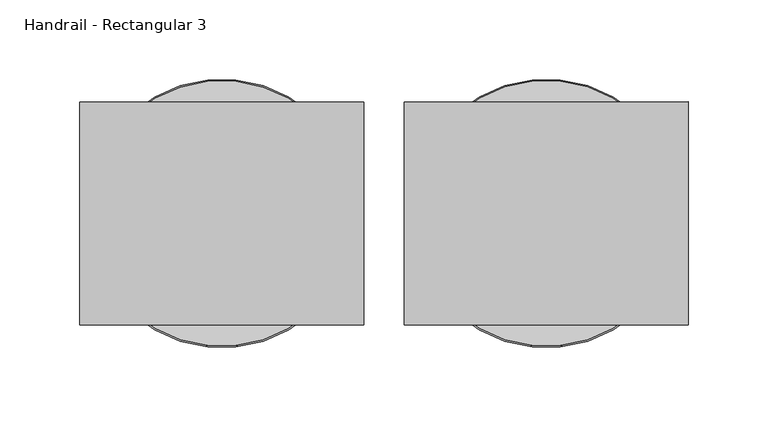
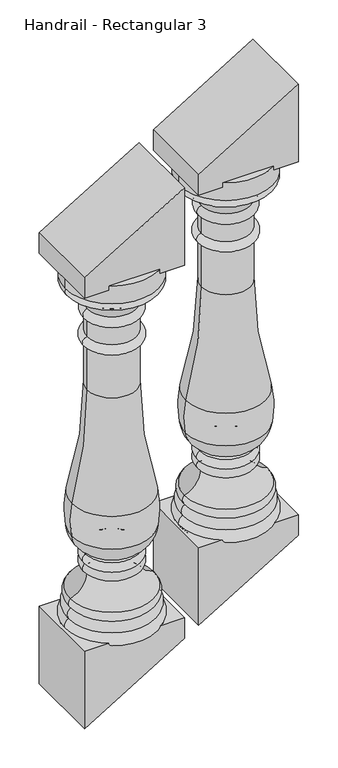
"""IFC4 building model written with IfcOpenShell, lengths in millimetres: railing geometry, Handrail - Rectangular 3."""

from ifc_helpers import new_model, si_unit, point, frame, origin, place, context, project, spatial, polyline, circle_curve, ellipse_curve, trimmed, outline, extrude, source, transform, mapped, element, save
from ifc_brep_helpers import plane_surface, cylinder_surface, revolved_surface, advanced_brep


def handrail_rectangular_3_e4badc02(model_context):
    return source(origin(), model_context, "Body", "SolidModel", [
        advanced_brep(
        [(8923.3589638, 4021.0919589, 1318.7295479), (9090.0464638, 4021.0919589, 1318.7295479), (9090.0464638, 4021.0919589, 1352.0670479), (8923.3589638, 4021.0919589, 1352.0670479), (8926.5339638, 4021.0919589, 1318.7295479), (9086.8714638, 4021.0919589, 1318.7295479), (8926.5339638, 4021.0919589, 1304.4420479), (9086.8714638, 4021.0919589, 1304.4420479), (8963.0464638, 4021.0919589, 1266.3420479), (9050.3589638, 4021.0919589, 1266.3420479), (8963.0464638, 4021.0919589, 1247.2920479), (9050.3589638, 4021.0919589, 1247.2920479), (8963.0464638, 4021.0919589, 1213.9545479), (9050.3589638, 4021.0919589, 1213.9545479), (8963.0464638, 4021.0919589, 1196.4920479), (9050.3589638, 4021.0919589, 1196.4920479), (8963.0464638, 4021.0919589, 1113.9420479), (9050.3589638, 4021.0919589, 1113.9420479), (8935.8579463, 4021.0919589, 909.6236064), (9077.5474812, 4021.0919589, 909.6236064), (8934.6675903, 4021.0919589, 849.0813613), (9078.7378373, 4021.0919589, 849.0813613), (8961.8786488, 4021.0919589, 810.2457164), (9051.5267787, 4021.0919589, 810.2457164), (8960.1533671, 4021.0919589, 805.7633564), (9053.2520604, 4021.0919589, 805.7633564), (8959.0777138, 4021.0919589, 788.5045479), (9054.3277138, 4021.0919589, 788.5045479), (8962.2527138, 4021.0919589, 771.0420479), (9051.1527138, 4021.0919589, 771.0420479), (8932.8839638, 4021.0919589, 731.3545479), (9080.5214638, 4021.0919589, 731.3545479), (8933.6777138, 4021.0919589, 713.8920479), (9079.7277138, 4021.0919589, 713.8920479), (8929.7089638, 4021.0919589, 694.8420479), (9083.6964638, 4021.0919589, 694.8420479), (8926.5339638, 4021.0919589, 672.6170479), (9086.8714638, 4021.0919589, 672.6170479), (9006.7027138, 4021.0919589, 672.6170479), (9006.7027138, 4021.0919589, 1352.0670479)],
        [
            (0, 1, circle_curve(frame((9006.7027138, 4021.0919589, 1318.7295479), z_axis=(0.0, 0.0, 1.0), x_axis=(1.0, 0.0, 0.0)), 83.34375)),
            (1, 2),
            (2, 3, circle_curve(frame((9006.7027138, 4021.0919589, 1352.0670479), z_axis=(0.0, 0.0, -1.0), x_axis=(1.0, 0.0, 0.0)), 83.34375)),
            (3, 0),
            (1, 0, circle_curve(frame((9006.7027138, 4021.0919589, 1318.7295479), z_axis=(0.0, 0.0, 1.0), x_axis=(1.0, 0.0, 0.0)), 83.34375)),
            (3, 2, circle_curve(frame((9006.7027138, 4021.0919589, 1352.0670479), z_axis=(0.0, 0.0, -1.0), x_axis=(1.0, 0.0, 0.0)), 83.34375)),
            (4, 5, circle_curve(frame((9006.7027138, 4021.0919589, 1318.7295479), z_axis=(0.0, 0.0, 1.0), x_axis=(1.0, 0.0, 0.0)), 80.16875)),
            (5, 1),
            (0, 4),
            (5, 4, circle_curve(frame((9006.7027138, 4021.0919589, 1318.7295479), z_axis=(0.0, 0.0, 1.0), x_axis=(1.0, 0.0, 0.0)), 80.16875)),
            (6, 7, circle_curve(frame((9006.7027138, 4021.0919589, 1304.4420479), z_axis=(0.0, 0.0, 1.0), x_axis=(1.0, 0.0, 0.0)), 80.16875)),
            (7, 5, circle_curve(frame((9080.422245, 4021.0919589, 1311.5857979), z_axis=(0.0, -1.0, 0.0), x_axis=(1.0, 0.0, 0.0)), 9.6242187)),
            (4, 6, circle_curve(frame((8932.9831825, 4021.0919589, 1311.5857979), z_axis=(0.0, -1.0, 0.0), x_axis=(-1.0, 0.0, 0.0)), 9.6242187)),
            (7, 6, circle_curve(frame((9006.7027138, 4021.0919589, 1304.4420479), z_axis=(0.0, 0.0, 1.0), x_axis=(1.0, 0.0, 0.0)), 80.16875)),
            (8, 9, circle_curve(frame((9006.7027138, 4021.0919589, 1266.3420479), z_axis=(0.0, 0.0, 1.0), x_axis=(1.0, 0.0, 0.0)), 43.65625)),
            (9, 7, circle_curve(frame((9105.7757682, 4021.0919589, 1249.7798498), z_axis=(0.0, 1.0, 0.0), x_axis=(1.0, 0.0, 0.0)), 57.8388159)),
            (6, 8, circle_curve(frame((8907.6296593, 4021.0919589, 1249.7798498), z_axis=(0.0, 1.0, 0.0), x_axis=(-1.0, 0.0, 0.0)), 57.8388159)),
            (9, 8, circle_curve(frame((9006.7027138, 4021.0919589, 1266.3420479), z_axis=(0.0, 0.0, 1.0), x_axis=(1.0, 0.0, 0.0)), 43.65625)),
            (10, 11, circle_curve(frame((9006.7027138, 4021.0919589, 1247.2920479), z_axis=(0.0, 0.0, 1.0), x_axis=(1.0, 0.0, 0.0)), 43.65625)),
            (11, 9, circle_curve(frame((9048.6127138, 4021.0919589, 1256.8170479), z_axis=(0.0, -1.0, 0.0), x_axis=(1.0, 0.0, 0.0)), 9.68375)),
            (8, 10, circle_curve(frame((8964.7927138, 4021.0919589, 1256.8170479), z_axis=(0.0, -1.0, 0.0), x_axis=(-1.0, 0.0, 0.0)), 9.68375)),
            (11, 10, circle_curve(frame((9006.7027138, 4021.0919589, 1247.2920479), z_axis=(0.0, 0.0, 1.0), x_axis=(1.0, 0.0, 0.0)), 43.65625)),
            (12, 13, circle_curve(frame((9006.7027138, 4021.0919589, 1213.9545479), z_axis=(0.0, 0.0, 1.0), x_axis=(1.0, 0.0, 0.0)), 43.65625)),
            (13, 11),
            (10, 12),
            (13, 12, circle_curve(frame((9006.7027138, 4021.0919589, 1213.9545479), z_axis=(0.0, 0.0, 1.0), x_axis=(1.0, 0.0, 0.0)), 43.65625)),
            (14, 15, circle_curve(frame((9006.7027138, 4021.0919589, 1196.4920479), z_axis=(0.0, 0.0, 1.0), x_axis=(1.0, 0.0, 0.0)), 43.65625)),
            (15, 13, circle_curve(frame((9050.3589638, 4021.0919589, 1205.2232979), z_axis=(0.0, -1.0, 0.0), x_axis=(1.0, 0.0, 0.0)), 8.73125)),
            (12, 14, circle_curve(frame((8963.0464638, 4021.0919589, 1205.2232979), z_axis=(0.0, -1.0, 0.0), x_axis=(-1.0, 0.0, 0.0)), 8.73125)),
            (15, 14, circle_curve(frame((9006.7027138, 4021.0919589, 1196.4920479), z_axis=(0.0, 0.0, 1.0), x_axis=(1.0, 0.0, 0.0)), 43.65625)),
            (16, 17, circle_curve(frame((9006.7027138, 4021.0919589, 1113.9420479), z_axis=(0.0, 0.0, 1.0), x_axis=(1.0, 0.0, 0.0)), 43.65625)),
            (17, 15),
            (14, 16),
            (17, 16, circle_curve(frame((9006.7027138, 4021.0919589, 1113.9420479), z_axis=(0.0, 0.0, 1.0), x_axis=(1.0, 0.0, 0.0)), 43.65625)),
            (18, 19, circle_curve(frame((9006.7027138, 4021.0919589, 909.6236064), z_axis=(0.0, 0.0, 1.0), x_axis=(1.0, 0.0, 0.0)), 70.8447675)),
            (19, 17, circle_curve(frame((9785.1357133, 4021.0919589, 1107.7500958), z_axis=(0.0, 1.0, 0.0), x_axis=(1.0, 0.0, 0.0)), 734.8028389)),
            (16, 18, circle_curve(frame((8228.2697142, 4021.0919589, 1107.7500958), z_axis=(0.0, 1.0, 0.0), x_axis=(-1.0, 0.0, 0.0)), 734.8028389)),
            (19, 18, circle_curve(frame((9006.7027138, 4021.0919589, 909.6236064), z_axis=(0.0, 0.0, 1.0), x_axis=(1.0, 0.0, 0.0)), 70.8447675)),
            (20, 21, circle_curve(frame((9006.7027138, 4021.0919589, 849.0813613), z_axis=(0.0, 0.0, 1.0), x_axis=(1.0, 0.0, 0.0)), 72.0351235)),
            (21, 19, circle_curve(frame((8919.6488591, 4021.0919589, 876.2362458), z_axis=(0.0, -1.0, 0.0), x_axis=(1.0, 0.0, 0.0)), 161.3898718)),
            (18, 20, circle_curve(frame((9093.7565684, 4021.0919589, 876.2362458), z_axis=(0.0, -1.0, 0.0), x_axis=(-1.0, 0.0, 0.0)), 161.3898718)),
            (21, 20, circle_curve(frame((9006.7027138, 4021.0919589, 849.0813613), z_axis=(0.0, 0.0, 1.0), x_axis=(1.0, 0.0, 0.0)), 72.0351235)),
            (22, 23, circle_curve(frame((9006.7027138, 4021.0919589, 810.2457164), z_axis=(0.0, 0.0, 1.0), x_axis=(1.0, 0.0, 0.0)), 44.8240649)),
            (23, 21, circle_curve(frame((9029.0078154, 4021.0919589, 854.9749682), z_axis=(0.0, -1.0, 0.0), x_axis=(1.0, 0.0, 0.0)), 50.0780358)),
            (20, 22, circle_curve(frame((8984.3976121, 4021.0919589, 854.9749682), z_axis=(0.0, -1.0, 0.0), x_axis=(-1.0, 0.0, 0.0)), 50.0780358)),
            (23, 22, circle_curve(frame((9006.7027138, 4021.0919589, 810.2457164), z_axis=(0.0, 0.0, 1.0), x_axis=(1.0, 0.0, 0.0)), 44.8240649)),
            (24, 25, circle_curve(frame((9006.7027138, 4021.0919589, 805.7633564), z_axis=(0.0, 0.0, 1.0), x_axis=(1.0, 0.0, 0.0)), 46.5493467)),
            (25, 23, circle_curve(frame((9054.3277138, 4021.0919589, 808.7505951), z_axis=(0.0, 1.0, 0.0), x_axis=(1.0, 0.0, 0.0)), 3.175)),
            (22, 24, circle_curve(frame((8959.0777138, 4021.0919589, 808.7505951), z_axis=(0.0, 1.0, 0.0), x_axis=(-1.0, 0.0, 0.0)), 3.175)),
            (25, 24, circle_curve(frame((9006.7027138, 4021.0919589, 805.7633564), z_axis=(0.0, 0.0, 1.0), x_axis=(1.0, 0.0, 0.0)), 46.5493467)),
            (26, 27, circle_curve(frame((9006.7027138, 4021.0919589, 788.5045479), z_axis=(0.0, 0.0, 1.0), x_axis=(1.0, 0.0, 0.0)), 47.625)),
            (27, 25, circle_curve(frame((9049.251349, 4021.0919589, 796.8510882), z_axis=(0.0, -1.0, 0.0), x_axis=(1.0, 0.0, 0.0)), 9.7690437)),
            (24, 26, circle_curve(frame((8964.1540785, 4021.0919589, 796.8510882), z_axis=(0.0, -1.0, 0.0), x_axis=(-1.0, 0.0, 0.0)), 9.7690437)),
            (27, 26, circle_curve(frame((9006.7027138, 4021.0919589, 788.5045479), z_axis=(0.0, 0.0, 1.0), x_axis=(1.0, 0.0, 0.0)), 47.625)),
            (28, 29, circle_curve(frame((9006.7027138, 4021.0919589, 771.0420479), z_axis=(0.0, 0.0, 1.0), x_axis=(1.0, 0.0, 0.0)), 44.45)),
            (29, 27, circle_curve(frame((9049.7140419, 4021.0919589, 780.3235109), z_axis=(0.0, -1.0, 0.0), x_axis=(1.0, 0.0, 0.0)), 9.3923018)),
            (26, 28, circle_curve(frame((8963.6913856, 4021.0919589, 780.3235109), z_axis=(0.0, -1.0, 0.0), x_axis=(-1.0, 0.0, 0.0)), 9.3923018)),
            (29, 28, circle_curve(frame((9006.7027138, 4021.0919589, 771.0420479), z_axis=(0.0, 0.0, 1.0), x_axis=(1.0, 0.0, 0.0)), 44.45)),
            (30, 31, circle_curve(frame((9006.7027138, 4021.0919589, 731.3545479), z_axis=(0.0, 0.0, 1.0), x_axis=(1.0, 0.0, 0.0)), 73.81875)),
            (31, 29, circle_curve(frame((9092.6529671, 4021.0919589, 771.0420479), z_axis=(0.0, 1.0, 0.0), x_axis=(1.0, 0.0, 0.0)), 41.5002534)),
            (28, 30, circle_curve(frame((8920.7524604, 4021.0919589, 771.0420479), z_axis=(0.0, 1.0, 0.0), x_axis=(-1.0, 0.0, 0.0)), 41.5002534)),
            (31, 30, circle_curve(frame((9006.7027138, 4021.0919589, 731.3545479), z_axis=(0.0, 0.0, 1.0), x_axis=(1.0, 0.0, 0.0)), 73.81875)),
            (32, 33, circle_curve(frame((9006.7027138, 4021.0919589, 713.8920479), z_axis=(0.0, 0.0, 1.0), x_axis=(1.0, 0.0, 0.0)), 73.025)),
            (33, 31, circle_curve(frame((9071.2169499, 4021.0919589, 723.0281905), z_axis=(0.0, -1.0, 0.0), x_axis=(1.0, 0.0, 0.0)), 12.4860804)),
            (30, 32, circle_curve(frame((8942.1884776, 4021.0919589, 723.0281905), z_axis=(0.0, -1.0, 0.0), x_axis=(-1.0, 0.0, 0.0)), 12.4860804)),
            (33, 32, circle_curve(frame((9006.7027138, 4021.0919589, 713.8920479), z_axis=(0.0, 0.0, 1.0), x_axis=(1.0, 0.0, 0.0)), 73.025)),
            (34, 35, circle_curve(frame((9006.7027138, 4021.0919589, 694.8420479), z_axis=(0.0, 0.0, 1.0), x_axis=(1.0, 0.0, 0.0)), 76.99375)),
            (35, 33, circle_curve(frame((9073.0529979, 4021.0919589, 702.5630706), z_axis=(0.0, -1.0, 0.0), x_axis=(1.0, 0.0, 0.0)), 13.1490516)),
            (32, 34, circle_curve(frame((8940.3524297, 4021.0919589, 702.5630706), z_axis=(0.0, -1.0, 0.0), x_axis=(-1.0, 0.0, 0.0)), 13.1490516)),
            (35, 34, circle_curve(frame((9006.7027138, 4021.0919589, 694.8420479), z_axis=(0.0, 0.0, 1.0), x_axis=(1.0, 0.0, 0.0)), 76.99375)),
            (36, 37, circle_curve(frame((9006.7027138, 4021.0919589, 672.6170479), z_axis=(0.0, 0.0, 1.0), x_axis=(1.0, 0.0, 0.0)), 80.16875)),
            (37, 35, circle_curve(frame((9076.722803, 4021.0919589, 682.5065249), z_axis=(0.0, -1.0, 0.0), x_axis=(1.0, 0.0, 0.0)), 14.1702883)),
            (34, 36, circle_curve(frame((8936.6826245, 4021.0919589, 682.5065249), z_axis=(0.0, -1.0, 0.0), x_axis=(-1.0, 0.0, 0.0)), 14.1702883)),
            (37, 36, circle_curve(frame((9006.7027138, 4021.0919589, 672.6170479), z_axis=(0.0, 0.0, 1.0), x_axis=(1.0, 0.0, 0.0)), 80.16875)),
            (38, 37),
            (36, 38),
            (2, 39),
            (39, 3),
        ],
        [
            cylinder_surface(frame((9006.7027138, 4021.0919589, 1301.2670479), z_axis=(0.0, 0.0, -1.0), x_axis=(1.0, 0.0, 0.0)), 83.34375),
            plane_surface(frame((9006.7027138, 4021.0919589, 1318.7295479), z_axis=(0.0, 0.0, -1.0), x_axis=(1.0, 0.0, 0.0))),
            revolved_surface(trimmed(ellipse_curve(frame((9080.422245, 4021.0919589, 1311.5857979), z_axis=(0.0, 1.0, 0.0), x_axis=(1.0, 0.0, 0.0)), 9.6242187, 9.6242187), [point((9086.8714638, 4021.0919589, 1318.7295479))], [point((9086.8714638, 4021.0919589, 1304.4420479))], True, "CARTESIAN"), (9006.7027138, 4021.0919589, 1301.2670479), (0.0, 0.0, -1.0)),
            revolved_surface(trimmed(ellipse_curve(frame((9105.7757682, 4021.0919589, 1249.7798498), z_axis=(0.0, -1.0, 0.0), x_axis=(1.0, 0.0, 0.0)), 57.8388159, 57.8388159), [point((9086.8714638, 4021.0919589, 1304.4420479))], [point((9050.3589638, 4021.0919589, 1266.3420479))], True, "CARTESIAN"), (9006.7027138, 4021.0919589, 1301.2670479), (0.0, 0.0, -1.0)),
            revolved_surface(trimmed(ellipse_curve(frame((9048.6127138, 4021.0919589, 1256.8170479), z_axis=(0.0, 1.0, 0.0), x_axis=(1.0, 0.0, 0.0)), 9.68375, 9.68375), [point((9050.3589638, 4021.0919589, 1266.3420479))], [point((9050.3589638, 4021.0919589, 1247.2920479))], True, "CARTESIAN"), (9006.7027138, 4021.0919589, 1301.2670479), (0.0, 0.0, -1.0)),
            cylinder_surface(frame((9006.7027138, 4021.0919589, 1301.2670479), z_axis=(0.0, 0.0, -1.0), x_axis=(1.0, 0.0, 0.0)), 43.65625),
            revolved_surface(trimmed(ellipse_curve(frame((9050.3589638, 4021.0919589, 1205.2232979), z_axis=(0.0, 1.0, 0.0), x_axis=(1.0, 0.0, 0.0)), 8.73125, 8.73125), [point((9050.3589638, 4021.0919589, 1213.9545479))], [point((9050.3589638, 4021.0919589, 1196.4920479))], True, "CARTESIAN"), (9006.7027138, 4021.0919589, 1301.2670479), (0.0, 0.0, -1.0)),
            revolved_surface(trimmed(ellipse_curve(frame((9785.1357133, 4021.0919589, 1107.7500958), z_axis=(0.0, -1.0, 0.0), x_axis=(1.0, 0.0, 0.0)), 734.8028389, 734.8028389), [point((9050.3589638, 4021.0919589, 1113.9420479))], [point((9077.5474812, 4021.0919589, 909.6236064))], True, "CARTESIAN"), (9006.7027138, 4021.0919589, 1301.2670479), (0.0, 0.0, -1.0)),
            revolved_surface(trimmed(ellipse_curve(frame((8919.6488591, 4021.0919589, 876.2362458), z_axis=(0.0, 1.0, 0.0), x_axis=(1.0, 0.0, 0.0)), 161.3898718, 161.3898718), [point((9077.5474812, 4021.0919589, 909.6236064))], [point((9078.7378373, 4021.0919589, 849.0813613))], True, "CARTESIAN"), (9006.7027138, 4021.0919589, 1301.2670479), (0.0, 0.0, -1.0)),
            revolved_surface(trimmed(ellipse_curve(frame((9029.0078154, 4021.0919589, 854.9749682), z_axis=(0.0, 1.0, 0.0), x_axis=(1.0, 0.0, 0.0)), 50.0780358, 50.0780358), [point((9078.7378373, 4021.0919589, 849.0813613))], [point((9051.5267787, 4021.0919589, 810.2457164))], True, "CARTESIAN"), (9006.7027138, 4021.0919589, 1301.2670479), (0.0, 0.0, -1.0)),
            revolved_surface(trimmed(ellipse_curve(frame((9054.3277138, 4021.0919589, 808.7505951), z_axis=(0.0, -1.0, 0.0), x_axis=(1.0, 0.0, 0.0)), 3.175, 3.175), [point((9051.5267787, 4021.0919589, 810.2457164))], [point((9053.2520604, 4021.0919589, 805.7633564))], True, "CARTESIAN"), (9006.7027138, 4021.0919589, 1301.2670479), (0.0, 0.0, -1.0)),
            revolved_surface(trimmed(ellipse_curve(frame((9049.251349, 4021.0919589, 796.8510882), z_axis=(0.0, 1.0, 0.0), x_axis=(1.0, 0.0, 0.0)), 9.7690437, 9.7690437), [point((9053.2520604, 4021.0919589, 805.7633564))], [point((9054.3277138, 4021.0919589, 788.5045479))], True, "CARTESIAN"), (9006.7027138, 4021.0919589, 1301.2670479), (0.0, 0.0, -1.0)),
            revolved_surface(trimmed(ellipse_curve(frame((9049.7140419, 4021.0919589, 780.3235109), z_axis=(0.0, 1.0, 0.0), x_axis=(1.0, 0.0, 0.0)), 9.3923018, 9.3923018), [point((9054.3277138, 4021.0919589, 788.5045479))], [point((9051.1527138, 4021.0919589, 771.0420479))], True, "CARTESIAN"), (9006.7027138, 4021.0919589, 1301.2670479), (0.0, 0.0, -1.0)),
            revolved_surface(trimmed(ellipse_curve(frame((9092.6529671, 4021.0919589, 771.0420479), z_axis=(0.0, -1.0, 0.0), x_axis=(1.0, 0.0, 0.0)), 41.5002534, 41.5002534), [point((9051.1527138, 4021.0919589, 771.0420479))], [point((9080.5214638, 4021.0919589, 731.3545479))], True, "CARTESIAN"), (9006.7027138, 4021.0919589, 1301.2670479), (0.0, 0.0, -1.0)),
            revolved_surface(trimmed(ellipse_curve(frame((9071.2169499, 4021.0919589, 723.0281905), z_axis=(0.0, 1.0, 0.0), x_axis=(1.0, 0.0, 0.0)), 12.4860804, 12.4860804), [point((9080.5214638, 4021.0919589, 731.3545479))], [point((9079.7277138, 4021.0919589, 713.8920479))], True, "CARTESIAN"), (9006.7027138, 4021.0919589, 1301.2670479), (0.0, 0.0, -1.0)),
            revolved_surface(trimmed(ellipse_curve(frame((9073.0529979, 4021.0919589, 702.5630706), z_axis=(0.0, 1.0, 0.0), x_axis=(1.0, 0.0, 0.0)), 13.1490516, 13.1490516), [point((9079.7277138, 4021.0919589, 713.8920479))], [point((9083.6964638, 4021.0919589, 694.8420479))], True, "CARTESIAN"), (9006.7027138, 4021.0919589, 1301.2670479), (0.0, 0.0, -1.0)),
            revolved_surface(trimmed(ellipse_curve(frame((9076.722803, 4021.0919589, 682.5065249), z_axis=(0.0, 1.0, 0.0), x_axis=(1.0, 0.0, 0.0)), 14.1702883, 14.1702883), [point((9083.6964638, 4021.0919589, 694.8420479))], [point((9086.8714638, 4021.0919589, 672.6170479))], True, "CARTESIAN"), (9006.7027138, 4021.0919589, 1301.2670479), (0.0, 0.0, -1.0)),
            plane_surface(frame((9006.7027138, 4021.0919589, 672.6170479), z_axis=(0.0, 0.0, -1.0), x_axis=(1.0, 0.0, 0.0))),
            plane_surface(frame((9006.7027138, 4021.0919589, 1352.0670479), z_axis=(0.0, 0.0, 1.0), x_axis=(1.0, 0.0, 0.0))),
        ],
        [
            (0, [[1, 2, 3, 4]]),
            (0, [[5, -4, 6, -2]]),
            (1, [[7, 8, -1, 9]]),
            (1, [[10, -9, -5, -8]]),
            (2, [[11, 12, -7, 13]]),
            (2, [[14, -13, -10, -12]]),
            (3, [[15, 16, -11, 17]]),
            (3, [[18, -17, -14, -16]]),
            (4, [[19, 20, -15, 21]]),
            (4, [[22, -21, -18, -20]]),
            (5, [[23, 24, -19, 25]]),
            (5, [[26, -25, -22, -24]]),
            (6, [[27, 28, -23, 29]]),
            (6, [[30, -29, -26, -28]]),
            (5, [[31, 32, -27, 33]]),
            (5, [[34, -33, -30, -32]]),
            (7, [[35, 36, -31, 37]]),
            (7, [[38, -37, -34, -36]]),
            (8, [[39, 40, -35, 41]]),
            (8, [[42, -41, -38, -40]]),
            (9, [[43, 44, -39, 45]]),
            (9, [[46, -45, -42, -44]]),
            (10, [[47, 48, -43, 49]]),
            (10, [[50, -49, -46, -48]]),
            (11, [[51, 52, -47, 53]]),
            (11, [[54, -53, -50, -52]]),
            (12, [[55, 56, -51, 57]]),
            (12, [[58, -57, -54, -56]]),
            (13, [[59, 60, -55, 61]]),
            (13, [[62, -61, -58, -60]]),
            (14, [[63, 64, -59, 65]]),
            (14, [[66, -65, -62, -64]]),
            (15, [[67, 68, -63, 69]]),
            (15, [[70, -69, -66, -68]]),
            (16, [[71, 72, -67, 73]]),
            (16, [[74, -73, -70, -72]]),
            (17, [[75, -71, 76]]),
            (17, [[-76, -74, -75]]),
            (18, [[-3, 77, 78]]),
            (18, [[-6, -78, -77]]),
        ],
    ),
        extrude(outline(polyline([(680.4121212, 9095.6027138), (680.4121212, 8917.8027138), (534.4583333, 8917.8027138), (642.2159091, 9095.6027138), (680.4121212, 9095.6027138)])), frame((0.0, 3951.2419589, 0.0), z_axis=(0.0, 1.0, 0.0), x_axis=(0.0, 0.0, 1.0)), (0.0, 0.0, 1.0), 139.7),
        extrude(outline(polyline([(1344.2719745, 8917.8027138), (1344.2719745, 9095.6027138), (1490.2257624, 9095.6027138), (1382.4681866, 8917.8027138), (1344.2719745, 8917.8027138)])), frame((0.0, 3951.2419589, 0.0), z_axis=(0.0, 1.0, 0.0), x_axis=(0.0, 0.0, 1.0)), (0.0, 0.0, 1.0), 139.7),
        advanced_brep(
        [(8720.1589638, 4021.0919589, 1195.5780327), (8886.8464638, 4021.0919589, 1195.5780327), (8886.8464638, 4021.0919589, 1228.9155327), (8720.1589638, 4021.0919589, 1228.9155327), (8723.3339638, 4021.0919589, 1195.5780327), (8883.6714638, 4021.0919589, 1195.5780327), (8723.3339638, 4021.0919589, 1181.2905327), (8883.6714638, 4021.0919589, 1181.2905327), (8759.8464638, 4021.0919589, 1143.1905327), (8847.1589638, 4021.0919589, 1143.1905327), (8759.8464638, 4021.0919589, 1124.1405327), (8847.1589638, 4021.0919589, 1124.1405327), (8759.8464638, 4021.0919589, 1090.8030327), (8847.1589638, 4021.0919589, 1090.8030327), (8759.8464638, 4021.0919589, 1073.3405327), (8847.1589638, 4021.0919589, 1073.3405327), (8759.8464638, 4021.0919589, 990.7905327), (8847.1589638, 4021.0919589, 990.7905327), (8732.6579463, 4021.0919589, 786.4720913), (8874.3474812, 4021.0919589, 786.4720913), (8731.4675903, 4021.0919589, 725.9298461), (8875.5378373, 4021.0919589, 725.9298461), (8758.6786488, 4021.0919589, 687.0942013), (8848.3267787, 4021.0919589, 687.0942013), (8756.9533671, 4021.0919589, 682.6118412), (8850.0520604, 4021.0919589, 682.6118412), (8755.8777138, 4021.0919589, 665.3530327), (8851.1277138, 4021.0919589, 665.3530327), (8759.0527138, 4021.0919589, 647.8905327), (8847.9527138, 4021.0919589, 647.8905327), (8729.6839638, 4021.0919589, 608.2030327), (8877.3214638, 4021.0919589, 608.2030327), (8730.4777138, 4021.0919589, 590.7405327), (8876.5277138, 4021.0919589, 590.7405327), (8726.5089638, 4021.0919589, 571.6905327), (8880.4964638, 4021.0919589, 571.6905327), (8723.3339638, 4021.0919589, 549.4655327), (8883.6714638, 4021.0919589, 549.4655327), (8803.5027138, 4021.0919589, 549.4655327), (8803.5027138, 4021.0919589, 1228.9155327)],
        [
            (0, 1, circle_curve(frame((8803.5027138, 4021.0919589, 1195.5780327), z_axis=(0.0, 0.0, 1.0), x_axis=(1.0, 0.0, 0.0)), 83.34375)),
            (1, 2),
            (2, 3, circle_curve(frame((8803.5027138, 4021.0919589, 1228.9155327), z_axis=(0.0, 0.0, -1.0), x_axis=(1.0, 0.0, 0.0)), 83.34375)),
            (3, 0),
            (1, 0, circle_curve(frame((8803.5027138, 4021.0919589, 1195.5780327), z_axis=(0.0, 0.0, 1.0), x_axis=(1.0, 0.0, 0.0)), 83.34375)),
            (3, 2, circle_curve(frame((8803.5027138, 4021.0919589, 1228.9155327), z_axis=(0.0, 0.0, -1.0), x_axis=(1.0, 0.0, 0.0)), 83.34375)),
            (4, 5, circle_curve(frame((8803.5027138, 4021.0919589, 1195.5780327), z_axis=(0.0, 0.0, 1.0), x_axis=(1.0, 0.0, 0.0)), 80.16875)),
            (5, 1),
            (0, 4),
            (5, 4, circle_curve(frame((8803.5027138, 4021.0919589, 1195.5780327), z_axis=(0.0, 0.0, 1.0), x_axis=(1.0, 0.0, 0.0)), 80.16875)),
            (6, 7, circle_curve(frame((8803.5027138, 4021.0919589, 1181.2905327), z_axis=(0.0, 0.0, 1.0), x_axis=(1.0, 0.0, 0.0)), 80.16875)),
            (7, 5, circle_curve(frame((8877.222245, 4021.0919589, 1188.4342827), z_axis=(0.0, -1.0, 0.0), x_axis=(1.0, 0.0, 0.0)), 9.6242187)),
            (4, 6, circle_curve(frame((8729.7831825, 4021.0919589, 1188.4342827), z_axis=(0.0, -1.0, 0.0), x_axis=(-1.0, 0.0, 0.0)), 9.6242187)),
            (7, 6, circle_curve(frame((8803.5027138, 4021.0919589, 1181.2905327), z_axis=(0.0, 0.0, 1.0), x_axis=(1.0, 0.0, 0.0)), 80.16875)),
            (8, 9, circle_curve(frame((8803.5027138, 4021.0919589, 1143.1905327), z_axis=(0.0, 0.0, 1.0), x_axis=(1.0, 0.0, 0.0)), 43.65625)),
            (9, 7, circle_curve(frame((8902.5757682, 4021.0919589, 1126.6283347), z_axis=(0.0, 1.0, 0.0), x_axis=(1.0, 0.0, 0.0)), 57.8388159)),
            (6, 8, circle_curve(frame((8704.4296593, 4021.0919589, 1126.6283347), z_axis=(0.0, 1.0, 0.0), x_axis=(-1.0, 0.0, 0.0)), 57.8388159)),
            (9, 8, circle_curve(frame((8803.5027138, 4021.0919589, 1143.1905327), z_axis=(0.0, 0.0, 1.0), x_axis=(1.0, 0.0, 0.0)), 43.65625)),
            (10, 11, circle_curve(frame((8803.5027138, 4021.0919589, 1124.1405327), z_axis=(0.0, 0.0, 1.0), x_axis=(1.0, 0.0, 0.0)), 43.65625)),
            (11, 9, circle_curve(frame((8845.4127138, 4021.0919589, 1133.6655327), z_axis=(0.0, -1.0, 0.0), x_axis=(1.0, 0.0, 0.0)), 9.68375)),
            (8, 10, circle_curve(frame((8761.5927138, 4021.0919589, 1133.6655327), z_axis=(0.0, -1.0, 0.0), x_axis=(-1.0, 0.0, 0.0)), 9.68375)),
            (11, 10, circle_curve(frame((8803.5027138, 4021.0919589, 1124.1405327), z_axis=(0.0, 0.0, 1.0), x_axis=(1.0, 0.0, 0.0)), 43.65625)),
            (12, 13, circle_curve(frame((8803.5027138, 4021.0919589, 1090.8030327), z_axis=(0.0, 0.0, 1.0), x_axis=(1.0, 0.0, 0.0)), 43.65625)),
            (13, 11),
            (10, 12),
            (13, 12, circle_curve(frame((8803.5027138, 4021.0919589, 1090.8030327), z_axis=(0.0, 0.0, 1.0), x_axis=(1.0, 0.0, 0.0)), 43.65625)),
            (14, 15, circle_curve(frame((8803.5027138, 4021.0919589, 1073.3405327), z_axis=(0.0, 0.0, 1.0), x_axis=(1.0, 0.0, 0.0)), 43.65625)),
            (15, 13, circle_curve(frame((8847.1589638, 4021.0919589, 1082.0717827), z_axis=(0.0, -1.0, 0.0), x_axis=(1.0, 0.0, 0.0)), 8.73125)),
            (12, 14, circle_curve(frame((8759.8464638, 4021.0919589, 1082.0717827), z_axis=(0.0, -1.0, 0.0), x_axis=(-1.0, 0.0, 0.0)), 8.73125)),
            (15, 14, circle_curve(frame((8803.5027138, 4021.0919589, 1073.3405327), z_axis=(0.0, 0.0, 1.0), x_axis=(1.0, 0.0, 0.0)), 43.65625)),
            (16, 17, circle_curve(frame((8803.5027138, 4021.0919589, 990.7905327), z_axis=(0.0, 0.0, 1.0), x_axis=(1.0, 0.0, 0.0)), 43.65625)),
            (17, 15),
            (14, 16),
            (17, 16, circle_curve(frame((8803.5027138, 4021.0919589, 990.7905327), z_axis=(0.0, 0.0, 1.0), x_axis=(1.0, 0.0, 0.0)), 43.65625)),
            (18, 19, circle_curve(frame((8803.5027138, 4021.0919589, 786.4720913), z_axis=(0.0, 0.0, 1.0), x_axis=(1.0, 0.0, 0.0)), 70.8447675)),
            (19, 17, circle_curve(frame((9581.9357133, 4021.0919589, 984.5985807), z_axis=(0.0, 1.0, 0.0), x_axis=(1.0, 0.0, 0.0)), 734.8028389)),
            (16, 18, circle_curve(frame((8025.0697142, 4021.0919589, 984.5985807), z_axis=(0.0, 1.0, 0.0), x_axis=(-1.0, 0.0, 0.0)), 734.8028389)),
            (19, 18, circle_curve(frame((8803.5027138, 4021.0919589, 786.4720913), z_axis=(0.0, 0.0, 1.0), x_axis=(1.0, 0.0, 0.0)), 70.8447675)),
            (20, 21, circle_curve(frame((8803.5027138, 4021.0919589, 725.9298461), z_axis=(0.0, 0.0, 1.0), x_axis=(1.0, 0.0, 0.0)), 72.0351235)),
            (21, 19, circle_curve(frame((8716.4488591, 4021.0919589, 753.0847307), z_axis=(0.0, -1.0, 0.0), x_axis=(1.0, 0.0, 0.0)), 161.3898718)),
            (18, 20, circle_curve(frame((8890.5565684, 4021.0919589, 753.0847307), z_axis=(0.0, -1.0, 0.0), x_axis=(-1.0, 0.0, 0.0)), 161.3898718)),
            (21, 20, circle_curve(frame((8803.5027138, 4021.0919589, 725.9298461), z_axis=(0.0, 0.0, 1.0), x_axis=(1.0, 0.0, 0.0)), 72.0351235)),
            (22, 23, circle_curve(frame((8803.5027138, 4021.0919589, 687.0942013), z_axis=(0.0, 0.0, 1.0), x_axis=(1.0, 0.0, 0.0)), 44.8240649)),
            (23, 21, circle_curve(frame((8825.8078154, 4021.0919589, 731.823453), z_axis=(0.0, -1.0, 0.0), x_axis=(1.0, 0.0, 0.0)), 50.0780358)),
            (20, 22, circle_curve(frame((8781.1976121, 4021.0919589, 731.823453), z_axis=(0.0, -1.0, 0.0), x_axis=(-1.0, 0.0, 0.0)), 50.0780358)),
            (23, 22, circle_curve(frame((8803.5027138, 4021.0919589, 687.0942013), z_axis=(0.0, 0.0, 1.0), x_axis=(1.0, 0.0, 0.0)), 44.8240649)),
            (24, 25, circle_curve(frame((8803.5027138, 4021.0919589, 682.6118412), z_axis=(0.0, 0.0, 1.0), x_axis=(1.0, 0.0, 0.0)), 46.5493467)),
            (25, 23, circle_curve(frame((8851.1277138, 4021.0919589, 685.5990799), z_axis=(0.0, 1.0, 0.0), x_axis=(1.0, 0.0, 0.0)), 3.175)),
            (22, 24, circle_curve(frame((8755.8777138, 4021.0919589, 685.5990799), z_axis=(0.0, 1.0, 0.0), x_axis=(-1.0, 0.0, 0.0)), 3.175)),
            (25, 24, circle_curve(frame((8803.5027138, 4021.0919589, 682.6118412), z_axis=(0.0, 0.0, 1.0), x_axis=(1.0, 0.0, 0.0)), 46.5493467)),
            (26, 27, circle_curve(frame((8803.5027138, 4021.0919589, 665.3530327), z_axis=(0.0, 0.0, 1.0), x_axis=(1.0, 0.0, 0.0)), 47.625)),
            (27, 25, circle_curve(frame((8846.051349, 4021.0919589, 673.6995731), z_axis=(0.0, -1.0, 0.0), x_axis=(1.0, 0.0, 0.0)), 9.7690437)),
            (24, 26, circle_curve(frame((8760.9540785, 4021.0919589, 673.6995731), z_axis=(0.0, -1.0, 0.0), x_axis=(-1.0, 0.0, 0.0)), 9.7690437)),
            (27, 26, circle_curve(frame((8803.5027138, 4021.0919589, 665.3530327), z_axis=(0.0, 0.0, 1.0), x_axis=(1.0, 0.0, 0.0)), 47.625)),
            (28, 29, circle_curve(frame((8803.5027138, 4021.0919589, 647.8905327), z_axis=(0.0, 0.0, 1.0), x_axis=(1.0, 0.0, 0.0)), 44.45)),
            (29, 27, circle_curve(frame((8846.5140419, 4021.0919589, 657.1719958), z_axis=(0.0, -1.0, 0.0), x_axis=(1.0, 0.0, 0.0)), 9.3923018)),
            (26, 28, circle_curve(frame((8760.4913856, 4021.0919589, 657.1719958), z_axis=(0.0, -1.0, 0.0), x_axis=(-1.0, 0.0, 0.0)), 9.3923018)),
            (29, 28, circle_curve(frame((8803.5027138, 4021.0919589, 647.8905327), z_axis=(0.0, 0.0, 1.0), x_axis=(1.0, 0.0, 0.0)), 44.45)),
            (30, 31, circle_curve(frame((8803.5027138, 4021.0919589, 608.2030327), z_axis=(0.0, 0.0, 1.0), x_axis=(1.0, 0.0, 0.0)), 73.81875)),
            (31, 29, circle_curve(frame((8889.4529671, 4021.0919589, 647.8905327), z_axis=(0.0, 1.0, 0.0), x_axis=(1.0, 0.0, 0.0)), 41.5002534)),
            (28, 30, circle_curve(frame((8717.5524604, 4021.0919589, 647.8905327), z_axis=(0.0, 1.0, 0.0), x_axis=(-1.0, 0.0, 0.0)), 41.5002534)),
            (31, 30, circle_curve(frame((8803.5027138, 4021.0919589, 608.2030327), z_axis=(0.0, 0.0, 1.0), x_axis=(1.0, 0.0, 0.0)), 73.81875)),
            (32, 33, circle_curve(frame((8803.5027138, 4021.0919589, 590.7405327), z_axis=(0.0, 0.0, 1.0), x_axis=(1.0, 0.0, 0.0)), 73.025)),
            (33, 31, circle_curve(frame((8868.0169499, 4021.0919589, 599.8766754), z_axis=(0.0, -1.0, 0.0), x_axis=(1.0, 0.0, 0.0)), 12.4860804)),
            (30, 32, circle_curve(frame((8738.9884776, 4021.0919589, 599.8766754), z_axis=(0.0, -1.0, 0.0), x_axis=(-1.0, 0.0, 0.0)), 12.4860804)),
            (33, 32, circle_curve(frame((8803.5027138, 4021.0919589, 590.7405327), z_axis=(0.0, 0.0, 1.0), x_axis=(1.0, 0.0, 0.0)), 73.025)),
            (34, 35, circle_curve(frame((8803.5027138, 4021.0919589, 571.6905327), z_axis=(0.0, 0.0, 1.0), x_axis=(1.0, 0.0, 0.0)), 76.99375)),
            (35, 33, circle_curve(frame((8869.8529979, 4021.0919589, 579.4115554), z_axis=(0.0, -1.0, 0.0), x_axis=(1.0, 0.0, 0.0)), 13.1490516)),
            (32, 34, circle_curve(frame((8737.1524297, 4021.0919589, 579.4115554), z_axis=(0.0, -1.0, 0.0), x_axis=(-1.0, 0.0, 0.0)), 13.1490516)),
            (35, 34, circle_curve(frame((8803.5027138, 4021.0919589, 571.6905327), z_axis=(0.0, 0.0, 1.0), x_axis=(1.0, 0.0, 0.0)), 76.99375)),
            (36, 37, circle_curve(frame((8803.5027138, 4021.0919589, 549.4655327), z_axis=(0.0, 0.0, 1.0), x_axis=(1.0, 0.0, 0.0)), 80.16875)),
            (37, 35, circle_curve(frame((8873.522803, 4021.0919589, 559.3550097), z_axis=(0.0, -1.0, 0.0), x_axis=(1.0, 0.0, 0.0)), 14.1702883)),
            (34, 36, circle_curve(frame((8733.4826245, 4021.0919589, 559.3550097), z_axis=(0.0, -1.0, 0.0), x_axis=(-1.0, 0.0, 0.0)), 14.1702883)),
            (37, 36, circle_curve(frame((8803.5027138, 4021.0919589, 549.4655327), z_axis=(0.0, 0.0, 1.0), x_axis=(1.0, 0.0, 0.0)), 80.16875)),
            (38, 37),
            (36, 38),
            (2, 39),
            (39, 3),
        ],
        [
            cylinder_surface(frame((8803.5027138, 4021.0919589, 1178.1155327), z_axis=(0.0, 0.0, -1.0), x_axis=(1.0, 0.0, 0.0)), 83.34375),
            plane_surface(frame((8803.5027138, 4021.0919589, 1195.5780327), z_axis=(0.0, 0.0, -1.0), x_axis=(1.0, 0.0, 0.0))),
            revolved_surface(trimmed(ellipse_curve(frame((8877.222245, 4021.0919589, 1188.4342827), z_axis=(0.0, 1.0, 0.0), x_axis=(1.0, 0.0, 0.0)), 9.6242187, 9.6242187), [point((8883.6714638, 4021.0919589, 1195.5780327))], [point((8883.6714638, 4021.0919589, 1181.2905327))], True, "CARTESIAN"), (8803.5027138, 4021.0919589, 1178.1155327), (0.0, 0.0, -1.0)),
            revolved_surface(trimmed(ellipse_curve(frame((8902.5757682, 4021.0919589, 1126.6283347), z_axis=(0.0, -1.0, 0.0), x_axis=(1.0, 0.0, 0.0)), 57.8388159, 57.8388159), [point((8883.6714638, 4021.0919589, 1181.2905327))], [point((8847.1589638, 4021.0919589, 1143.1905327))], True, "CARTESIAN"), (8803.5027138, 4021.0919589, 1178.1155327), (0.0, 0.0, -1.0)),
            revolved_surface(trimmed(ellipse_curve(frame((8845.4127138, 4021.0919589, 1133.6655327), z_axis=(0.0, 1.0, 0.0), x_axis=(1.0, 0.0, 0.0)), 9.68375, 9.68375), [point((8847.1589638, 4021.0919589, 1143.1905327))], [point((8847.1589638, 4021.0919589, 1124.1405327))], True, "CARTESIAN"), (8803.5027138, 4021.0919589, 1178.1155327), (0.0, 0.0, -1.0)),
            cylinder_surface(frame((8803.5027138, 4021.0919589, 1178.1155327), z_axis=(0.0, 0.0, -1.0), x_axis=(1.0, 0.0, 0.0)), 43.65625),
            revolved_surface(trimmed(ellipse_curve(frame((8847.1589638, 4021.0919589, 1082.0717827), z_axis=(0.0, 1.0, 0.0), x_axis=(1.0, 0.0, 0.0)), 8.73125, 8.73125), [point((8847.1589638, 4021.0919589, 1090.8030327))], [point((8847.1589638, 4021.0919589, 1073.3405327))], True, "CARTESIAN"), (8803.5027138, 4021.0919589, 1178.1155327), (0.0, 0.0, -1.0)),
            revolved_surface(trimmed(ellipse_curve(frame((9581.9357133, 4021.0919589, 984.5985807), z_axis=(0.0, -1.0, 0.0), x_axis=(1.0, 0.0, 0.0)), 734.8028389, 734.8028389), [point((8847.1589638, 4021.0919589, 990.7905327))], [point((8874.3474812, 4021.0919589, 786.4720913))], True, "CARTESIAN"), (8803.5027138, 4021.0919589, 1178.1155327), (0.0, 0.0, -1.0)),
            revolved_surface(trimmed(ellipse_curve(frame((8716.4488591, 4021.0919589, 753.0847307), z_axis=(0.0, 1.0, 0.0), x_axis=(1.0, 0.0, 0.0)), 161.3898718, 161.3898718), [point((8874.3474812, 4021.0919589, 786.4720913))], [point((8875.5378373, 4021.0919589, 725.9298461))], True, "CARTESIAN"), (8803.5027138, 4021.0919589, 1178.1155327), (0.0, 0.0, -1.0)),
            revolved_surface(trimmed(ellipse_curve(frame((8825.8078154, 4021.0919589, 731.823453), z_axis=(0.0, 1.0, 0.0), x_axis=(1.0, 0.0, 0.0)), 50.0780358, 50.0780358), [point((8875.5378373, 4021.0919589, 725.9298461))], [point((8848.3267787, 4021.0919589, 687.0942013))], True, "CARTESIAN"), (8803.5027138, 4021.0919589, 1178.1155327), (0.0, 0.0, -1.0)),
            revolved_surface(trimmed(ellipse_curve(frame((8851.1277138, 4021.0919589, 685.5990799), z_axis=(0.0, -1.0, 0.0), x_axis=(1.0, 0.0, 0.0)), 3.175, 3.175), [point((8848.3267787, 4021.0919589, 687.0942013))], [point((8850.0520604, 4021.0919589, 682.6118412))], True, "CARTESIAN"), (8803.5027138, 4021.0919589, 1178.1155327), (0.0, 0.0, -1.0)),
            revolved_surface(trimmed(ellipse_curve(frame((8846.051349, 4021.0919589, 673.6995731), z_axis=(0.0, 1.0, 0.0), x_axis=(1.0, 0.0, 0.0)), 9.7690437, 9.7690437), [point((8850.0520604, 4021.0919589, 682.6118412))], [point((8851.1277138, 4021.0919589, 665.3530327))], True, "CARTESIAN"), (8803.5027138, 4021.0919589, 1178.1155327), (0.0, 0.0, -1.0)),
            revolved_surface(trimmed(ellipse_curve(frame((8846.5140419, 4021.0919589, 657.1719958), z_axis=(0.0, 1.0, 0.0), x_axis=(1.0, 0.0, 0.0)), 9.3923018, 9.3923018), [point((8851.1277138, 4021.0919589, 665.3530327))], [point((8847.9527138, 4021.0919589, 647.8905327))], True, "CARTESIAN"), (8803.5027138, 4021.0919589, 1178.1155327), (0.0, 0.0, -1.0)),
            revolved_surface(trimmed(ellipse_curve(frame((8889.4529671, 4021.0919589, 647.8905327), z_axis=(0.0, -1.0, 0.0), x_axis=(1.0, 0.0, 0.0)), 41.5002534, 41.5002534), [point((8847.9527138, 4021.0919589, 647.8905327))], [point((8877.3214638, 4021.0919589, 608.2030327))], True, "CARTESIAN"), (8803.5027138, 4021.0919589, 1178.1155327), (0.0, 0.0, -1.0)),
            revolved_surface(trimmed(ellipse_curve(frame((8868.0169499, 4021.0919589, 599.8766754), z_axis=(0.0, 1.0, 0.0), x_axis=(1.0, 0.0, 0.0)), 12.4860804, 12.4860804), [point((8877.3214638, 4021.0919589, 608.2030327))], [point((8876.5277138, 4021.0919589, 590.7405327))], True, "CARTESIAN"), (8803.5027138, 4021.0919589, 1178.1155327), (0.0, 0.0, -1.0)),
            revolved_surface(trimmed(ellipse_curve(frame((8869.8529979, 4021.0919589, 579.4115554), z_axis=(0.0, 1.0, 0.0), x_axis=(1.0, 0.0, 0.0)), 13.1490516, 13.1490516), [point((8876.5277138, 4021.0919589, 590.7405327))], [point((8880.4964638, 4021.0919589, 571.6905327))], True, "CARTESIAN"), (8803.5027138, 4021.0919589, 1178.1155327), (0.0, 0.0, -1.0)),
            revolved_surface(trimmed(ellipse_curve(frame((8873.522803, 4021.0919589, 559.3550097), z_axis=(0.0, 1.0, 0.0), x_axis=(1.0, 0.0, 0.0)), 14.1702883, 14.1702883), [point((8880.4964638, 4021.0919589, 571.6905327))], [point((8883.6714638, 4021.0919589, 549.4655327))], True, "CARTESIAN"), (8803.5027138, 4021.0919589, 1178.1155327), (0.0, 0.0, -1.0)),
            plane_surface(frame((8803.5027138, 4021.0919589, 549.4655327), z_axis=(0.0, 0.0, -1.0), x_axis=(1.0, 0.0, 0.0))),
            plane_surface(frame((8803.5027138, 4021.0919589, 1228.9155327), z_axis=(0.0, 0.0, 1.0), x_axis=(1.0, 0.0, 0.0))),
        ],
        [
            (0, [[1, 2, 3, 4]]),
            (0, [[5, -4, 6, -2]]),
            (1, [[7, 8, -1, 9]]),
            (1, [[10, -9, -5, -8]]),
            (2, [[11, 12, -7, 13]]),
            (2, [[14, -13, -10, -12]]),
            (3, [[15, 16, -11, 17]]),
            (3, [[18, -17, -14, -16]]),
            (4, [[19, 20, -15, 21]]),
            (4, [[22, -21, -18, -20]]),
            (5, [[23, 24, -19, 25]]),
            (5, [[26, -25, -22, -24]]),
            (6, [[27, 28, -23, 29]]),
            (6, [[30, -29, -26, -28]]),
            (5, [[31, 32, -27, 33]]),
            (5, [[34, -33, -30, -32]]),
            (7, [[35, 36, -31, 37]]),
            (7, [[38, -37, -34, -36]]),
            (8, [[39, 40, -35, 41]]),
            (8, [[42, -41, -38, -40]]),
            (9, [[43, 44, -39, 45]]),
            (9, [[46, -45, -42, -44]]),
            (10, [[47, 48, -43, 49]]),
            (10, [[50, -49, -46, -48]]),
            (11, [[51, 52, -47, 53]]),
            (11, [[54, -53, -50, -52]]),
            (12, [[55, 56, -51, 57]]),
            (12, [[58, -57, -54, -56]]),
            (13, [[59, 60, -55, 61]]),
            (13, [[62, -61, -58, -60]]),
            (14, [[63, 64, -59, 65]]),
            (14, [[66, -65, -62, -64]]),
            (15, [[67, 68, -63, 69]]),
            (15, [[70, -69, -66, -68]]),
            (16, [[71, 72, -67, 73]]),
            (16, [[74, -73, -70, -72]]),
            (17, [[75, -71, 76]]),
            (17, [[-76, -74, -75]]),
            (18, [[-3, 77, 78]]),
            (18, [[-6, -78, -77]]),
        ],
    ),
        extrude(outline(polyline([(557.2606061, 8892.4027138), (557.2606061, 8714.6027138), (411.3068182, 8714.6027138), (519.0643939, 8892.4027138), (557.2606061, 8892.4027138)])), frame((0.0, 3951.2419589, 0.0), z_axis=(0.0, 1.0, 0.0), x_axis=(0.0, 0.0, 1.0)), (0.0, 0.0, 1.0), 139.7),
        extrude(outline(polyline([(1221.1204594, 8714.6027138), (1221.1204594, 8892.4027138), (1367.0742472, 8892.4027138), (1259.3166715, 8714.6027138), (1221.1204594, 8714.6027138)])), frame((0.0, 3951.2419589, 0.0), z_axis=(0.0, 1.0, 0.0), x_axis=(0.0, 0.0, 1.0)), (0.0, 0.0, 1.0), 139.7),
    ])


if __name__ == "__main__":
    model = new_model("IFC4")
    model_context = context("Model", 3, world=origin())
    ifc_project = project(units=[si_unit("LENGTHUNIT", "METRE", prefix="MILLI")], contexts=[model_context])
    site = spatial("IfcSite", under=ifc_project)
    building = spatial("IfcBuilding", under=site)
    placement = place(None, origin())
    handrail_rectangular_3_shape = handrail_rectangular_3_e4badc02(model_context)
    element("IfcRailing", 1, ObjectType="Handrail - Rectangular 3", at=placement, inside=building, context=model_context, shape_type="MappedRepresentation", body=[
        mapped(handrail_rectangular_3_shape, transform((0.0, 0.0, 0.0), x_axis=(1.0, 0.0, 0.0), y_axis=(0.0, 1.0, 0.0), z_axis=(0.0, 0.0, 1.0))),
    ])
    save(model, "model.ifc")
